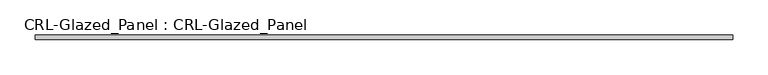
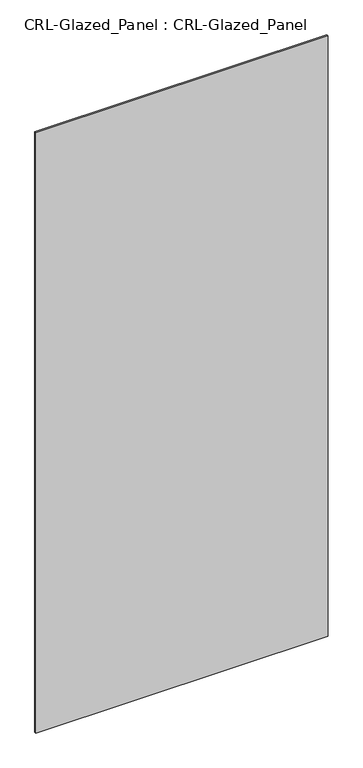
"""IFC4 building model written with IfcOpenShell, lengths in millimetres: plate geometry, CRL-Glazed_Panel : CRL-Glazed_Panel."""

import ifcopenshell
import ifcopenshell.guid

model = None  # the IFC model being written
_history = None  # IfcOwnerHistory: only IFC2X3 demands one
_inside = {}  # id of a spatial element -> (the spatial element, [elements in it])
_under = {}  # id of a project, library or spatial element -> (it, [spatial elements below it])
_declared = {}  # id of a project -> (the project, [libraries it declares])
_typed = {}  # id of a type object -> (the type object, [elements of that type])
_made_of = {}  # id of a material, layer set ... -> (it, [elements and type objects made of it])


def new_model(schema):
    """Start an empty IFC model of exactly this schema.

    Asked for "IFC4X3", IfcOpenShell would pick the latest addendum, in which some entities
    have other attributes; the version numbers below select the first issue.
    IFC2X3 requires an IfcOwnerHistory on every rooted entity: one is made here for all.
    """
    global model, _history
    if schema == "IFC4X3":
        model = ifcopenshell.file(schema_version=(4, 3, 0, 0))
    else:
        model = ifcopenshell.file(schema=schema)
    _inside.clear()
    _under.clear()
    _declared.clear()
    _typed.clear()
    _made_of.clear()
    _history = None
    if model.schema == "IFC2X3":
        org = make("IfcOrganization", Name="unknown")
        user = make(
            "IfcPersonAndOrganization",
            ThePerson=make("IfcPerson", FamilyName="unknown"),
            TheOrganization=org,
        )
        app = make(
            "IfcApplication",
            ApplicationDeveloper=org,
            Version="unknown",
            ApplicationFullName="unknown",
            ApplicationIdentifier="unknown",
        )
        _history = make(
            "IfcOwnerHistory",
            OwningUser=user,
            OwningApplication=app,
            ChangeAction="ADDED",
            CreationDate=0,
        )
    return model


def make(cls, **values):
    """One entity of the class cls with the attributes given. An attribute that is None is left unset."""
    return model.create_entity(
        cls, **{name: value for name, value in values.items() if value is not None}
    )


def rooted(cls, **values):
    """An entity with a GlobalId (a new one), such as an element, a storey or a relation."""
    return make(cls, GlobalId=ifcopenshell.guid.new(), OwnerHistory=_history, **values)


def si_unit(unit_type, name, prefix=None):
    """IfcSIUnit, for example si_unit("LENGTHUNIT", "METRE", prefix="MILLI")."""
    return make("IfcSIUnit", UnitType=unit_type, Prefix=prefix, Name=name)


def assignment(units):
    """IfcUnitAssignment: the units of a project."""
    return None if units is None else make("IfcUnitAssignment", Units=units)


def point(xyz):
    """IfcCartesianPoint."""
    return None if xyz is None else make("IfcCartesianPoint", Coordinates=xyz)


def direction(xyz):
    """IfcDirection."""
    return None if xyz is None else make("IfcDirection", DirectionRatios=xyz)


def frame(location, z_axis=None, x_axis=None):
    """IfcAxis2Placement3D, a coordinate frame: its origin and axes. An axis left out is left unset."""
    return make(
        "IfcAxis2Placement3D",
        Location=point(location),
        Axis=direction(z_axis),
        RefDirection=direction(x_axis),
    )


def origin():
    """The frame at (0, 0, 0) with its axes left unset."""
    return frame((0.0, 0.0, 0.0))


def origin_with_axes():
    """The frame at (0, 0, 0) with the z axis (0, 0, 1) and the x axis (1, 0, 0) written out."""
    return frame((0.0, 0.0, 0.0), z_axis=(0.0, 0.0, 1.0), x_axis=(1.0, 0.0, 0.0))


def place(relative_to, where):
    """IfcLocalPlacement: puts the frame where relative to a parent placement (None: the world)."""
    return make(
        "IfcLocalPlacement", PlacementRelTo=relative_to, RelativePlacement=where
    )


def context(
    kind, dimensions, precision=None, world=None, true_north=None, identifier=None
):
    """IfcGeometricRepresentationContext, for example the 3D "Model" context."""
    return make(
        "IfcGeometricRepresentationContext",
        ContextIdentifier=identifier,
        ContextType=kind,
        CoordinateSpaceDimension=dimensions,
        Precision=precision,
        WorldCoordinateSystem=world,
        TrueNorth=true_north,
    )


def project(units=None, contexts=None):
    """IfcProject with its units and contexts."""
    return rooted(
        "IfcProject",
        Name="project",
        RepresentationContexts=contexts,
        UnitsInContext=assignment(units),
    )


def spatial(cls, under=None, at=None, **own):
    """A site, building, storey or space (cls), placed at a placement, below another one or the project."""
    s = rooted(cls, ObjectPlacement=at, **own)
    if under is not None:
        _under.setdefault(under.id(), (under, []))[1].append(s)
    return s


def polyline(points):
    """IfcPolyline through the points."""
    return make("IfcPolyline", Points=[point(p) for p in points])


def outline(outer, holes=None, kind="AREA"):
    """IfcArbitraryClosedProfileDef: a profile drawn as a closed curve; with holes, ...WithVoids."""
    if holes is None:
        return make("IfcArbitraryClosedProfileDef", ProfileType=kind, OuterCurve=outer)
    return make(
        "IfcArbitraryProfileDefWithVoids",
        ProfileType=kind,
        OuterCurve=outer,
        InnerCurves=holes,
    )


def extrude(swept, where, along, depth):
    """IfcExtrudedAreaSolid: the profile swept, set in the frame where, extruded along a direction by depth."""
    return make(
        "IfcExtrudedAreaSolid",
        SweptArea=swept,
        Position=where,
        ExtrudedDirection=direction(along),
        Depth=depth,
    )


def shape(context_of_items, identifier, shape_type, items):
    """IfcShapeRepresentation: the items that make up one representation, for example the "Body"."""
    return make(
        "IfcShapeRepresentation",
        ContextOfItems=context_of_items,
        RepresentationIdentifier=identifier,
        RepresentationType=shape_type,
        Items=items,
    )


def source(mapping_origin, context_of_items, identifier, shape_type, items):
    """IfcRepresentationMap: a shape defined once, which mapped items show again and again."""
    return make(
        "IfcRepresentationMap",
        MappingOrigin=mapping_origin,
        MappedRepresentation=shape(context_of_items, identifier, shape_type, items),
    )


def transform(
    local_origin,
    x_axis=None,
    y_axis=None,
    z_axis=None,
    scale=None,
    scale2=None,
    scale3=None,
    uniform=True,
):
    """IfcCartesianTransformationOperator3D, or its non-uniform kind. x_axis, y_axis, z_axis: its Axis1, 2, 3."""
    if uniform:
        return make(
            "IfcCartesianTransformationOperator3D",
            Axis1=direction(x_axis),
            Axis2=direction(y_axis),
            LocalOrigin=point(local_origin),
            Scale=scale,
            Axis3=direction(z_axis),
        )
    return make(
        "IfcCartesianTransformationOperator3DnonUniform",
        Axis1=direction(x_axis),
        Axis2=direction(y_axis),
        LocalOrigin=point(local_origin),
        Scale=scale,
        Axis3=direction(z_axis),
        Scale2=scale2,
        Scale3=scale3,
    )


def mapped(mapping_source, mapping_target):
    """IfcMappedItem: shows the shape of a source again, moved by a transform."""
    return make(
        "IfcMappedItem", MappingSource=mapping_source, MappingTarget=mapping_target
    )


def made_of(thing, what):
    """Note that an element or type object is made of a material, layer set ...; save() writes the relation."""
    if what is not None:
        _made_of.setdefault(what.id(), (what, []))[1].append(thing)
    return thing


def element(
    cls,
    number,
    at=None,
    inside=None,
    cuts=None,
    type_object=None,
    material=None,
    context=None,
    identifier="Body",
    shape_type=None,
    held_by="IfcProductDefinitionShape",
    body=None,
    shapes=None,
    **own,
):
    """One element of the class cls, such as IfcWall. Its Tag is "e" and its number.

    at: its placement. inside: the storey or other place that contains it. cuts: it is an
    opening in that element (IfcRelVoidsElement). A single representation is given by context,
    identifier, shape_type and body (its items); several are given by shapes. held_by: the class
    of the entity that holds the representations. save() writes the other relations.
    """
    e = rooted(cls, Tag="e%d" % number, ObjectPlacement=at, **own)
    if body is not None:
        shapes = [shape(context, identifier, shape_type, body)]
    if shapes is not None:
        e.Representation = make(held_by, Representations=shapes)
    if inside is not None:
        _inside.setdefault(inside.id(), (inside, []))[1].append(e)
    if cuts is not None:
        rooted(
            "IfcRelVoidsElement", RelatingBuildingElement=cuts, RelatedOpeningElement=e
        )
    if type_object is not None:
        _typed.setdefault(type_object.id(), (type_object, []))[1].append(e)
    return made_of(e, material)


def aggregate(whole, parts):
    """IfcRelAggregates: a whole, such as a stair, and the parts it consists of."""
    return rooted("IfcRelAggregates", RelatingObject=whole, RelatedObjects=parts)


def save(model, path):
    """Write the relations noted so far, then the file.

    IfcRelAggregates (storeys below a building ...), IfcRelContainedInSpatialStructure (elements
    in a storey), IfcRelDefinesByType, IfcRelAssociatesMaterial and IfcRelDeclares: one each for
    every whole, place, type object, material and project.
    """
    for whole, parts in _under.values():
        aggregate(whole, parts)
    for where, things in _inside.values():
        rooted(
            "IfcRelContainedInSpatialStructure",
            RelatedElements=things,
            RelatingStructure=where,
        )
    for kind, things in _typed.values():
        rooted("IfcRelDefinesByType", RelatedObjects=things, RelatingType=kind)
    for what, things in _made_of.values():
        rooted("IfcRelAssociatesMaterial", RelatedObjects=things, RelatingMaterial=what)
    for by, libraries in _declared.values():
        rooted("IfcRelDeclares", RelatingContext=by, RelatedDefinitions=libraries)
    model.write(path)


def crl_glazed_panel_crl_glazed_panel_cec43d5b(model_context):
    return source(origin(), model_context, "Body", "SweptSolid", [
        extrude(outline(polyline([(493.7125, 3.1749999), (493.7125, -3.1749999), (-493.7125, -3.1749999), (-493.7125, 3.1749999), (493.7125, 3.1749999)])), origin_with_axes(), (0.0, 0.0, 1.0), 2143.1250696),
    ])


if __name__ == "__main__":
    model = new_model("IFC4")
    model_context = context("Model", 3, world=origin())
    ifc_project = project(units=[si_unit("LENGTHUNIT", "METRE", prefix="MILLI")], contexts=[model_context])
    site = spatial("IfcSite", under=ifc_project)
    building = spatial("IfcBuilding", under=site)
    placement = place(None, origin())
    crl_glazed_panel_crl_glazed_panel_shape = crl_glazed_panel_crl_glazed_panel_cec43d5b(model_context)
    element("IfcPlate", 1, ObjectType="CRL-Glazed_Panel : CRL-Glazed_Panel", at=placement, inside=building, context=model_context, shape_type="MappedRepresentation", body=[
        mapped(crl_glazed_panel_crl_glazed_panel_shape, transform((0.0, 0.0, 0.0), x_axis=(1.0, 0.0, 0.0), y_axis=(0.0, 1.0, 0.0), z_axis=(0.0, 0.0, 1.0))),
    ])
    save(model, "model.ifc")
